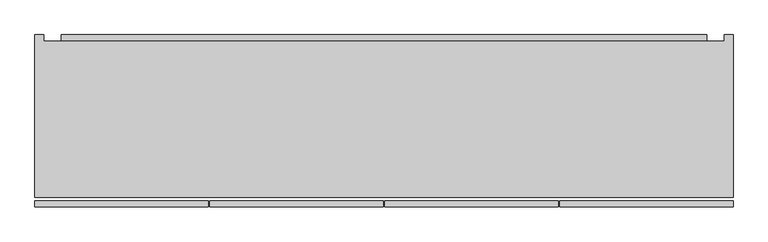
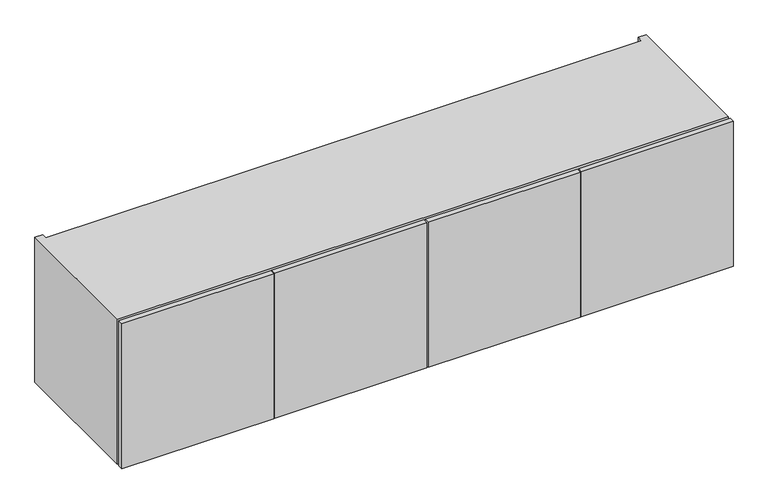
"""IFC4 building model written with IfcOpenShell, lengths in millimetres: furniture geometry."""

from ifc_helpers import new_model, si_unit, frame, origin, place, context, project, spatial, polyline, outline, extrude, faceted_brep, source, transform, mapped, element, save


def furniture_70d5ba8b(model_context):
    return source(origin(), model_context, "Body", "SolidModel", [
        extrude(outline(polyline([(158.8226276, 1599.946), (145.5282676, 1620.62414), (145.5282676, 1682.496), (158.8226276, 1682.496), (158.8226276, 1599.946)])), frame((-399.796, 0.0, 0.0), z_axis=(1.0, 0.0, 0.0), x_axis=(0.0, 1.0, 0.0)), (0.0, 0.0, 1.0), 1404.112),
        extrude(outline(polyline([(145.5282676, 1611.63), (158.8226276, 1590.95186), (158.8226276, 1529.08), (145.5282676, 1529.08), (145.5282676, 1611.63)])), frame((-399.796, 0.0, 0.0), z_axis=(1.0, 0.0, 0.0), x_axis=(0.0, 1.0, 0.0)), (0.0, 0.0, 1.0), 1404.112),
        extrude(outline(polyline([(681.6725, -215.8273724), (303.8475, -215.8273724), (303.8475, -203.1273724), (681.6725, -203.1273724), (681.6725, -215.8273724)])), frame((0.0, 0.0, 1320.8), z_axis=(0.0, 0.0, 1.0), x_axis=(1.0, 0.0, 0.0)), (0.0, 0.0, 1.0), 381.0),
        extrude(outline(polyline([(300.6725, -215.8273724), (-77.1525, -215.8273724), (-77.1525, -203.1273724), (300.6725, -203.1273724), (300.6725, -215.8273724)])), frame((0.0, 0.0, 1320.8), z_axis=(0.0, 0.0, 1.0), x_axis=(1.0, 0.0, 0.0)), (0.0, 0.0, 1.0), 381.0),
        extrude(outline(polyline([(-80.3275, -215.8273724), (-457.2, -215.8273724), (-457.2, -203.1273724), (-80.3275, -203.1273724), (-80.3275, -215.8273724)])), frame((0.0, 0.0, 1320.8), z_axis=(0.0, 0.0, 1.0), x_axis=(1.0, 0.0, 0.0)), (0.0, 0.0, 1.0), 381.0),
        extrude(outline(polyline([(1061.72, -215.8273724), (684.8475, -215.8273724), (684.8475, -203.1273724), (1061.72, -203.1273724), (1061.72, -215.8273724)])), frame((0.0, 0.0, 1320.8), z_axis=(0.0, 0.0, 1.0), x_axis=(1.0, 0.0, 0.0)), (0.0, 0.0, 1.0), 381.0),
        extrude(outline(polyline([(1042.416, 145.5282676), (1042.416, 126.2242676), (-437.896, 126.2242676), (-437.896, 145.5282676), (1042.416, 145.5282676)])), frame((0.0, 0.0, 1340.104), z_axis=(0.0, 0.0, 1.0), x_axis=(1.0, 0.0, 0.0)), (0.0, 0.0, 1.0), 342.392),
        faceted_brep([(-457.2, -195.5073724, 1701.8), (-457.2, -195.5073724, 1320.8), (1061.72, -195.5073724, 1320.8), (1061.72, -195.5073724, 1701.8), (-437.896, -195.5073724, 1682.496), (1042.416, -195.5073724, 1682.496), (1042.416, -195.5073724, 1340.104), (-437.896, -195.5073724, 1340.104), (1042.416, 145.5282676, 1682.496), (-437.896, 145.5282676, 1682.496), (-437.896, 145.5282676, 1701.8), (1042.416, 145.5282676, 1701.8), (1042.416, 145.5282676, 1320.8), (-437.896, 145.5282676, 1320.8), (-437.896, 145.5282676, 1340.104), (1042.416, 145.5282676, 1340.104), (1061.72, 158.8226276, 1701.8), (1042.416, 158.8226276, 1701.8), (-437.896, 158.8226276, 1701.8), (-457.2, 158.8226276, 1701.8), (-457.2, 158.8226276, 1320.8), (-437.896, 158.8226276, 1320.8), (1042.416, 158.8226276, 1320.8), (1061.72, 158.8226276, 1320.8)], [[[0, 1, 2, 3], [4, 5, 6, 7]], [[8, 9, 10, 11]], [[12, 13, 14, 15]], [[0, 3, 16, 17, 11, 10, 18, 19]], [[5, 4, 9, 8]], [[7, 6, 15, 14]], [[2, 1, 20, 21, 13, 12, 22, 23]], [[19, 18, 21, 20]], [[0, 19, 20, 1]], [[21, 18, 10, 9, 4, 7, 14, 13]], [[17, 22, 12, 15, 6, 5, 8, 11]], [[16, 3, 2, 23]], [[17, 16, 23, 22]]]),
    ])


if __name__ == "__main__":
    model = new_model("IFC4")
    model_context = context("Model", 3, world=origin())
    ifc_project = project(units=[si_unit("LENGTHUNIT", "METRE", prefix="MILLI")], contexts=[model_context])
    site = spatial("IfcSite", under=ifc_project)
    building = spatial("IfcBuilding", under=site)
    placement = place(None, origin())
    furniture_shape = furniture_70d5ba8b(model_context)
    element("IfcFurniture", 1, at=placement, inside=building, context=model_context, shape_type="MappedRepresentation", body=[
        mapped(furniture_shape, transform((0.0, 0.0, 0.0), x_axis=(1.0, 0.0, 0.0), y_axis=(0.0, 1.0, 0.0), z_axis=(0.0, 0.0, 1.0))),
    ])
    save(model, "model.ifc")
